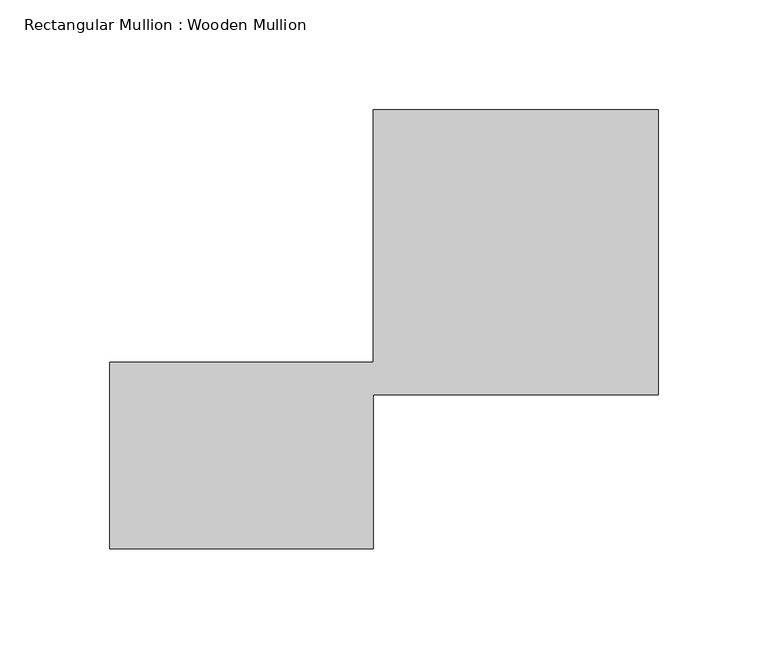
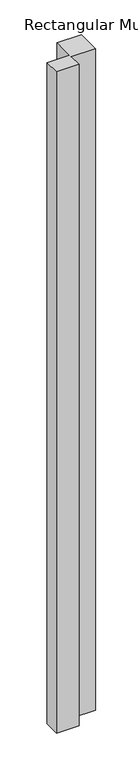
"""IFC4 building model written with IfcOpenShell, lengths in millimetres: member geometry, Rectangular Mullion : Wooden Mullion."""

import ifcopenshell
import ifcopenshell.guid

model = None  # the IFC model being written
_history = None  # IfcOwnerHistory: only IFC2X3 demands one
_inside = {}  # id of a spatial element -> (the spatial element, [elements in it])
_under = {}  # id of a project, library or spatial element -> (it, [spatial elements below it])
_declared = {}  # id of a project -> (the project, [libraries it declares])
_typed = {}  # id of a type object -> (the type object, [elements of that type])
_made_of = {}  # id of a material, layer set ... -> (it, [elements and type objects made of it])


def new_model(schema):
    """Start an empty IFC model of exactly this schema.

    Asked for "IFC4X3", IfcOpenShell would pick the latest addendum, in which some entities
    have other attributes; the version numbers below select the first issue.
    IFC2X3 requires an IfcOwnerHistory on every rooted entity: one is made here for all.
    """
    global model, _history
    if schema == "IFC4X3":
        model = ifcopenshell.file(schema_version=(4, 3, 0, 0))
    else:
        model = ifcopenshell.file(schema=schema)
    _inside.clear()
    _under.clear()
    _declared.clear()
    _typed.clear()
    _made_of.clear()
    _history = None
    if model.schema == "IFC2X3":
        org = make("IfcOrganization", Name="unknown")
        user = make(
            "IfcPersonAndOrganization",
            ThePerson=make("IfcPerson", FamilyName="unknown"),
            TheOrganization=org,
        )
        app = make(
            "IfcApplication",
            ApplicationDeveloper=org,
            Version="unknown",
            ApplicationFullName="unknown",
            ApplicationIdentifier="unknown",
        )
        _history = make(
            "IfcOwnerHistory",
            OwningUser=user,
            OwningApplication=app,
            ChangeAction="ADDED",
            CreationDate=0,
        )
    return model


def make(cls, **values):
    """One entity of the class cls with the attributes given. An attribute that is None is left unset."""
    return model.create_entity(
        cls, **{name: value for name, value in values.items() if value is not None}
    )


def rooted(cls, **values):
    """An entity with a GlobalId (a new one), such as an element, a storey or a relation."""
    return make(cls, GlobalId=ifcopenshell.guid.new(), OwnerHistory=_history, **values)


def si_unit(unit_type, name, prefix=None):
    """IfcSIUnit, for example si_unit("LENGTHUNIT", "METRE", prefix="MILLI")."""
    return make("IfcSIUnit", UnitType=unit_type, Prefix=prefix, Name=name)


def assignment(units):
    """IfcUnitAssignment: the units of a project."""
    return None if units is None else make("IfcUnitAssignment", Units=units)


def point(xyz):
    """IfcCartesianPoint."""
    return None if xyz is None else make("IfcCartesianPoint", Coordinates=xyz)


def direction(xyz):
    """IfcDirection."""
    return None if xyz is None else make("IfcDirection", DirectionRatios=xyz)


def frame(location, z_axis=None, x_axis=None):
    """IfcAxis2Placement3D, a coordinate frame: its origin and axes. An axis left out is left unset."""
    return make(
        "IfcAxis2Placement3D",
        Location=point(location),
        Axis=direction(z_axis),
        RefDirection=direction(x_axis),
    )


def origin():
    """The frame at (0, 0, 0) with its axes left unset."""
    return frame((0.0, 0.0, 0.0))


def place(relative_to, where):
    """IfcLocalPlacement: puts the frame where relative to a parent placement (None: the world)."""
    return make(
        "IfcLocalPlacement", PlacementRelTo=relative_to, RelativePlacement=where
    )


def context(
    kind, dimensions, precision=None, world=None, true_north=None, identifier=None
):
    """IfcGeometricRepresentationContext, for example the 3D "Model" context."""
    return make(
        "IfcGeometricRepresentationContext",
        ContextIdentifier=identifier,
        ContextType=kind,
        CoordinateSpaceDimension=dimensions,
        Precision=precision,
        WorldCoordinateSystem=world,
        TrueNorth=true_north,
    )


def project(units=None, contexts=None):
    """IfcProject with its units and contexts."""
    return rooted(
        "IfcProject",
        Name="project",
        RepresentationContexts=contexts,
        UnitsInContext=assignment(units),
    )


def spatial(cls, under=None, at=None, **own):
    """A site, building, storey or space (cls), placed at a placement, below another one or the project."""
    s = rooted(cls, ObjectPlacement=at, **own)
    if under is not None:
        _under.setdefault(under.id(), (under, []))[1].append(s)
    return s


def polyline(points):
    """IfcPolyline through the points."""
    return make("IfcPolyline", Points=[point(p) for p in points])


def outline(outer, holes=None, kind="AREA"):
    """IfcArbitraryClosedProfileDef: a profile drawn as a closed curve; with holes, ...WithVoids."""
    if holes is None:
        return make("IfcArbitraryClosedProfileDef", ProfileType=kind, OuterCurve=outer)
    return make(
        "IfcArbitraryProfileDefWithVoids",
        ProfileType=kind,
        OuterCurve=outer,
        InnerCurves=holes,
    )


def extrude(swept, where, along, depth):
    """IfcExtrudedAreaSolid: the profile swept, set in the frame where, extruded along a direction by depth."""
    return make(
        "IfcExtrudedAreaSolid",
        SweptArea=swept,
        Position=where,
        ExtrudedDirection=direction(along),
        Depth=depth,
    )


def shape(context_of_items, identifier, shape_type, items):
    """IfcShapeRepresentation: the items that make up one representation, for example the "Body"."""
    return make(
        "IfcShapeRepresentation",
        ContextOfItems=context_of_items,
        RepresentationIdentifier=identifier,
        RepresentationType=shape_type,
        Items=items,
    )


def source(mapping_origin, context_of_items, identifier, shape_type, items):
    """IfcRepresentationMap: a shape defined once, which mapped items show again and again."""
    return make(
        "IfcRepresentationMap",
        MappingOrigin=mapping_origin,
        MappedRepresentation=shape(context_of_items, identifier, shape_type, items),
    )


def transform(
    local_origin,
    x_axis=None,
    y_axis=None,
    z_axis=None,
    scale=None,
    scale2=None,
    scale3=None,
    uniform=True,
):
    """IfcCartesianTransformationOperator3D, or its non-uniform kind. x_axis, y_axis, z_axis: its Axis1, 2, 3."""
    if uniform:
        return make(
            "IfcCartesianTransformationOperator3D",
            Axis1=direction(x_axis),
            Axis2=direction(y_axis),
            LocalOrigin=point(local_origin),
            Scale=scale,
            Axis3=direction(z_axis),
        )
    return make(
        "IfcCartesianTransformationOperator3DnonUniform",
        Axis1=direction(x_axis),
        Axis2=direction(y_axis),
        LocalOrigin=point(local_origin),
        Scale=scale,
        Axis3=direction(z_axis),
        Scale2=scale2,
        Scale3=scale3,
    )


def mapped(mapping_source, mapping_target):
    """IfcMappedItem: shows the shape of a source again, moved by a transform."""
    return make(
        "IfcMappedItem", MappingSource=mapping_source, MappingTarget=mapping_target
    )


def made_of(thing, what):
    """Note that an element or type object is made of a material, layer set ...; save() writes the relation."""
    if what is not None:
        _made_of.setdefault(what.id(), (what, []))[1].append(thing)
    return thing


def element(
    cls,
    number,
    at=None,
    inside=None,
    cuts=None,
    type_object=None,
    material=None,
    context=None,
    identifier="Body",
    shape_type=None,
    held_by="IfcProductDefinitionShape",
    body=None,
    shapes=None,
    **own,
):
    """One element of the class cls, such as IfcWall. Its Tag is "e" and its number.

    at: its placement. inside: the storey or other place that contains it. cuts: it is an
    opening in that element (IfcRelVoidsElement). A single representation is given by context,
    identifier, shape_type and body (its items); several are given by shapes. held_by: the class
    of the entity that holds the representations. save() writes the other relations.
    """
    e = rooted(cls, Tag="e%d" % number, ObjectPlacement=at, **own)
    if body is not None:
        shapes = [shape(context, identifier, shape_type, body)]
    if shapes is not None:
        e.Representation = make(held_by, Representations=shapes)
    if inside is not None:
        _inside.setdefault(inside.id(), (inside, []))[1].append(e)
    if cuts is not None:
        rooted(
            "IfcRelVoidsElement", RelatingBuildingElement=cuts, RelatedOpeningElement=e
        )
    if type_object is not None:
        _typed.setdefault(type_object.id(), (type_object, []))[1].append(e)
    return made_of(e, material)


def aggregate(whole, parts):
    """IfcRelAggregates: a whole, such as a stair, and the parts it consists of."""
    return rooted("IfcRelAggregates", RelatingObject=whole, RelatedObjects=parts)


def save(model, path):
    """Write the relations noted so far, then the file.

    IfcRelAggregates (storeys below a building ...), IfcRelContainedInSpatialStructure (elements
    in a storey), IfcRelDefinesByType, IfcRelAssociatesMaterial and IfcRelDeclares: one each for
    every whole, place, type object, material and project.
    """
    for whole, parts in _under.values():
        aggregate(whole, parts)
    for where, things in _inside.values():
        rooted(
            "IfcRelContainedInSpatialStructure",
            RelatedElements=things,
            RelatingStructure=where,
        )
    for kind, things in _typed.values():
        rooted("IfcRelDefinesByType", RelatedObjects=things, RelatingType=kind)
    for what, things in _made_of.values():
        rooted("IfcRelAssociatesMaterial", RelatedObjects=things, RelatingMaterial=what)
    for by, libraries in _declared.values():
        rooted("IfcRelDeclares", RelatingContext=by, RelatedDefinitions=libraries)
    model.write(path)


def rectangular_mullion_wooden_mullion_ec35c54b(model_context):
    return source(origin(), model_context, "Body", "SweptSolid", [
        extrude(outline(polyline([(74.8100006, -26.0137344), (-45.1899994, -26.0137344), (-45.1899994, 58.9862656), (74.8100006, 58.9862656), (74.8100006, 173.9862656), (204.8100006, 173.9862656), (204.8100006, 43.9862656), (74.8100006, 43.9862656), (74.8100006, -26.0137344)])), frame((0.0, 0.0, -3727.3262433), z_axis=(0.0, 0.0, 1.0), x_axis=(1.0, 0.0, 0.0)), (0.0, 0.0, 1.0), 3727.3262433),
    ])


if __name__ == "__main__":
    model = new_model("IFC4")
    model_context = context("Model", 3, world=origin())
    ifc_project = project(units=[si_unit("LENGTHUNIT", "METRE", prefix="MILLI")], contexts=[model_context])
    site = spatial("IfcSite", under=ifc_project)
    building = spatial("IfcBuilding", under=site)
    placement = place(None, origin())
    rectangular_mullion_wooden_mullion_shape = rectangular_mullion_wooden_mullion_ec35c54b(model_context)
    element("IfcMember", 1, ObjectType="Rectangular Mullion : Wooden Mullion", at=placement, inside=building, context=model_context, shape_type="MappedRepresentation", body=[
        mapped(rectangular_mullion_wooden_mullion_shape, transform((0.0, 0.0, 0.0), x_axis=(1.0, 0.0, 0.0), y_axis=(0.0, 1.0, 0.0), z_axis=(0.0, 0.0, 1.0))),
    ])
    save(model, "model.ifc")
